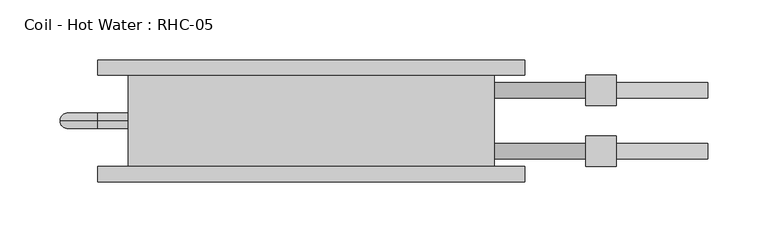
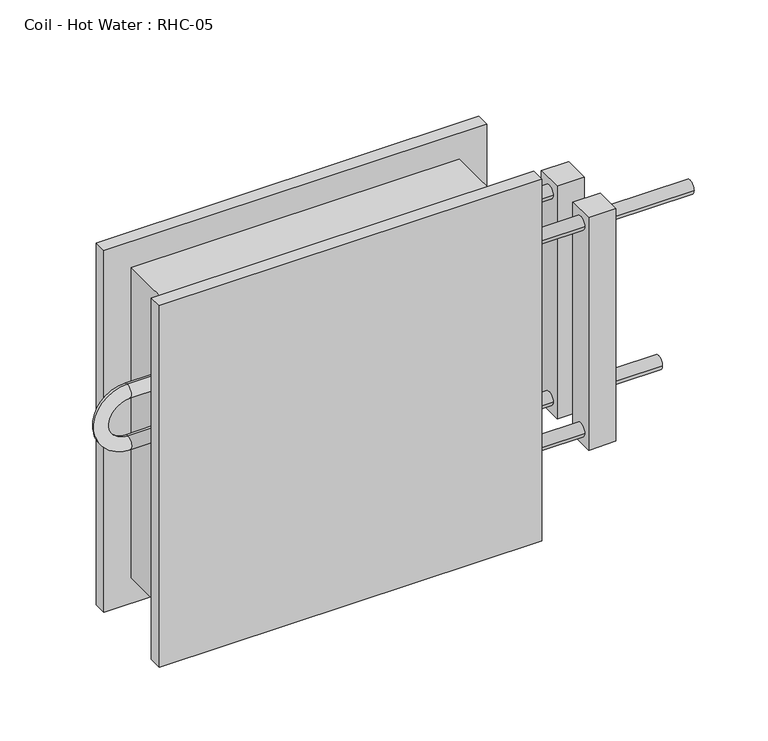
"""IFC4 building model written with IfcOpenShell, lengths in millimetres: proxy geometry, Coil - Hot Water : RHC-05."""

from ifc_helpers import new_model, si_unit, point, frame, origin, place, context, project, spatial, circle_curve, ellipse_curve, trimmed, source, transform, mapped, element, save
from ifc_brep_helpers import plane_surface, cylinder_surface, revolved_surface, advanced_brep


def coil_hot_water_rhc_05_16e91f82(model_context):
    return source(origin(), model_context, "Body", "AdvancedBrep", [
        advanced_brep(
        [(-152.4, 76.2, 304.8), (-152.4, 0.0, 304.8), (152.4, 0.0, 304.8), (152.4, 76.2, 304.8), (152.4, 76.2, 0.0), (152.4, 0.0, 0.0), (-152.4, 0.0, 0.0), (-152.4, 76.2, 0.0), (-152.4, 38.1, 222.25), (-152.4, 38.1, 209.55), (-152.4, 38.1, 171.45), (-152.4, 38.1, 158.75), (152.4, 57.15, 254.0), (152.4, 69.85, 254.0), (152.4, 6.35, 50.8), (152.4, 19.05, 50.8), (152.4, 6.35, 254.0), (152.4, 19.05, 254.0), (152.4, 57.15, 50.8), (152.4, 69.85, 50.8), (177.8, 76.2, 330.2), (-177.8, 76.2, 330.2), (-177.8, 76.2, -25.4), (177.8, 76.2, -25.4), (177.8, 88.9, 330.2), (177.8, 88.9, -25.4), (-177.8, 88.9, -25.4), (-177.8, 88.9, 330.2), (330.2, 57.15, 50.8), (330.2, 69.85, 50.8), (330.2, 6.35, 254.0), (330.2, 19.05, 254.0), (254.0, 57.15, 50.8), (254.0, 69.85, 50.8), (254.0, 6.35, 254.0), (254.0, 19.05, 254.0), (177.8, -12.7, 330.2), (-177.8, -12.7, 330.2), (-177.8, -12.7, -25.4), (177.8, -12.7, -25.4), (177.8, 0.0, 330.2), (177.8, 0.0, -25.4), (-177.8, 0.0, -25.4), (-177.8, 0.0, 330.2), (-177.8, 38.1, 222.25), (-177.8, 38.1, 209.55), (-177.8, 38.1, 158.75), (-177.8, 38.1, 171.45), (228.6, 57.15, 254.0), (228.6, 69.85, 254.0), (228.6, 6.35, 50.8), (228.6, 19.05, 50.8), (228.6, 6.35, 254.0), (228.6, 19.05, 254.0), (228.6, 57.15, 50.8), (228.6, 69.85, 50.8), (254.0, 50.8, 266.7), (254.0, 50.8, 38.1), (254.0, 76.2, 38.1), (254.0, 76.2, 266.7), (254.0, 0.0, 266.7), (254.0, 0.0, 38.1), (254.0, 25.4, 38.1), (254.0, 25.4, 266.7), (228.6, 50.8, 266.7), (228.6, 76.2, 266.7), (228.6, 76.2, 38.1), (228.6, 50.8, 38.1), (228.6, 0.0, 266.7), (228.6, 25.4, 266.7), (228.6, 25.4, 38.1), (228.6, 0.0, 38.1)],
        [
            (0, 1),
            (1, 2),
            (2, 3),
            (3, 0),
            (4, 5),
            (5, 6),
            (6, 7),
            (7, 4),
            (0, 7),
            (6, 1),
            (8, 9, circle_curve(frame((-152.4, 38.1, 215.9), z_axis=(1.0, 0.0, 0.0), x_axis=(0.0, 0.0, -1.0)), 6.35)),
            (9, 8, circle_curve(frame((-152.4, 38.1, 215.9), z_axis=(1.0, 0.0, 0.0), x_axis=(0.0, 0.0, -1.0)), 6.35)),
            (10, 11, circle_curve(frame((-152.4, 38.1, 165.1), z_axis=(1.0, 0.0, 0.0), x_axis=(0.0, 0.0, 1.0)), 6.35)),
            (11, 10, circle_curve(frame((-152.4, 38.1, 165.1), z_axis=(1.0, 0.0, 0.0), x_axis=(0.0, 0.0, 1.0)), 6.35)),
            (2, 5),
            (4, 3),
            (12, 13, circle_curve(frame((152.4, 63.5, 254.0), z_axis=(-1.0, 0.0, 0.0), x_axis=(0.0, 1.0, 0.0)), 6.35)),
            (13, 12, circle_curve(frame((152.4, 63.5, 254.0), z_axis=(-1.0, 0.0, 0.0), x_axis=(0.0, 1.0, 0.0)), 6.35)),
            (14, 15, circle_curve(frame((152.4, 12.7, 50.8), z_axis=(-1.0, 0.0, 0.0), x_axis=(0.0, 1.0, 0.0)), 6.35)),
            (15, 14, circle_curve(frame((152.4, 12.7, 50.8), z_axis=(-1.0, 0.0, 0.0), x_axis=(0.0, 1.0, 0.0)), 6.35)),
            (16, 17, circle_curve(frame((152.4, 12.7, 254.0), z_axis=(-1.0, 0.0, 0.0), x_axis=(0.0, 1.0, 0.0)), 6.35)),
            (17, 16, circle_curve(frame((152.4, 12.7, 254.0), z_axis=(-1.0, 0.0, 0.0), x_axis=(0.0, 1.0, 0.0)), 6.35)),
            (18, 19, circle_curve(frame((152.4, 63.5, 50.8), z_axis=(-1.0, 0.0, 0.0), x_axis=(0.0, 1.0, 0.0)), 6.35)),
            (19, 18, circle_curve(frame((152.4, 63.5, 50.8), z_axis=(-1.0, 0.0, 0.0), x_axis=(0.0, 1.0, 0.0)), 6.35)),
            (20, 21),
            (21, 22),
            (22, 23),
            (23, 20),
            (24, 25),
            (25, 26),
            (26, 27),
            (27, 24),
            (20, 24),
            (27, 21),
            (26, 22),
            (25, 23),
            (28, 29, circle_curve(frame((330.2, 63.5, 50.8), z_axis=(1.0, 0.0, 0.0), x_axis=(0.0, 1.0, 0.0)), 6.35)),
            (29, 28, circle_curve(frame((330.2, 63.5, 50.8), z_axis=(1.0, 0.0, 0.0), x_axis=(0.0, 1.0, 0.0)), 6.35)),
            (30, 31, circle_curve(frame((330.2, 12.7, 254.0), z_axis=(1.0, 0.0, 0.0), x_axis=(0.0, 1.0, 0.0)), 6.35)),
            (31, 30, circle_curve(frame((330.2, 12.7, 254.0), z_axis=(1.0, 0.0, 0.0), x_axis=(0.0, 1.0, 0.0)), 6.35)),
            (28, 32),
            (32, 33, circle_curve(frame((254.0, 63.5, 50.8), z_axis=(1.0, 0.0, 0.0), x_axis=(0.0, 1.0, 0.0)), 6.35)),
            (33, 29),
            (33, 32, circle_curve(frame((254.0, 63.5, 50.8), z_axis=(1.0, 0.0, 0.0), x_axis=(0.0, 1.0, 0.0)), 6.35)),
            (30, 34),
            (34, 35, circle_curve(frame((254.0, 12.7, 254.0), z_axis=(1.0, 0.0, 0.0), x_axis=(0.0, 1.0, 0.0)), 6.35)),
            (35, 31),
            (35, 34, circle_curve(frame((254.0, 12.7, 254.0), z_axis=(1.0, 0.0, 0.0), x_axis=(0.0, 1.0, 0.0)), 6.35)),
            (36, 37),
            (37, 38),
            (38, 39),
            (39, 36),
            (40, 41),
            (41, 42),
            (42, 43),
            (43, 40),
            (36, 40),
            (43, 37),
            (42, 38),
            (41, 39),
            (8, 44),
            (44, 45, circle_curve(frame((-177.8, 38.1, 215.9), z_axis=(1.0, 0.0, 0.0), x_axis=(0.0, 0.0, -1.0)), 6.35)),
            (45, 9),
            (45, 44, circle_curve(frame((-177.8, 38.1, 215.9), z_axis=(1.0, 0.0, 0.0), x_axis=(0.0, 0.0, -1.0)), 6.35)),
            (44, 46, circle_curve(frame((-177.8, 38.1, 190.5), z_axis=(0.0, -1.0, 0.0), x_axis=(0.0, 0.0, 1.0)), 31.75)),
            (46, 47, circle_curve(frame((-177.8, 38.1, 165.1), z_axis=(-1.0, 0.0, 0.0), x_axis=(0.0, 0.0, 1.0)), 6.35)),
            (47, 45, circle_curve(frame((-177.8, 38.1, 190.5), z_axis=(0.0, 1.0, 0.0), x_axis=(0.0, 0.0, 1.0)), 19.05)),
            (47, 46, circle_curve(frame((-177.8, 38.1, 165.1), z_axis=(-1.0, 0.0, 0.0), x_axis=(0.0, 0.0, 1.0)), 6.35)),
            (46, 11),
            (10, 47),
            (12, 48),
            (48, 49, circle_curve(frame((228.6, 63.5, 254.0), z_axis=(-1.0, 0.0, 0.0), x_axis=(0.0, 1.0, 0.0)), 6.35)),
            (49, 13),
            (49, 48, circle_curve(frame((228.6, 63.5, 254.0), z_axis=(-1.0, 0.0, 0.0), x_axis=(0.0, 1.0, 0.0)), 6.35)),
            (14, 50),
            (50, 51, circle_curve(frame((228.6, 12.7, 50.8), z_axis=(-1.0, 0.0, 0.0), x_axis=(0.0, 1.0, 0.0)), 6.35)),
            (51, 15),
            (51, 50, circle_curve(frame((228.6, 12.7, 50.8), z_axis=(-1.0, 0.0, 0.0), x_axis=(0.0, 1.0, 0.0)), 6.35)),
            (16, 52),
            (52, 53, circle_curve(frame((228.6, 12.7, 254.0), z_axis=(-1.0, 0.0, 0.0), x_axis=(0.0, 1.0, 0.0)), 6.35)),
            (53, 17),
            (53, 52, circle_curve(frame((228.6, 12.7, 254.0), z_axis=(-1.0, 0.0, 0.0), x_axis=(0.0, 1.0, 0.0)), 6.35)),
            (18, 54),
            (54, 55, circle_curve(frame((228.6, 63.5, 50.8), z_axis=(-1.0, 0.0, 0.0), x_axis=(0.0, 1.0, 0.0)), 6.35)),
            (55, 19),
            (55, 54, circle_curve(frame((228.6, 63.5, 50.8), z_axis=(-1.0, 0.0, 0.0), x_axis=(0.0, 1.0, 0.0)), 6.35)),
            (56, 57),
            (57, 58),
            (58, 59),
            (59, 56),
            (60, 61),
            (61, 62),
            (62, 63),
            (63, 60),
            (64, 65),
            (65, 66),
            (66, 67),
            (67, 64),
            (68, 69),
            (69, 70),
            (70, 71),
            (71, 68),
            (56, 64),
            (67, 57),
            (66, 58),
            (65, 59),
            (60, 68),
            (71, 61),
            (70, 62),
            (69, 63),
        ],
        [
            plane_surface(frame((-152.4, 76.2, 304.8), z_axis=(0.0, 0.0, 1.0), x_axis=(-1.0, 0.0, 0.0))),
            plane_surface(frame((-152.4, 76.2, 0.0), z_axis=(0.0, 0.0, -1.0), x_axis=(1.0, 0.0, 0.0))),
            plane_surface(frame((-152.4, 76.2, 304.8), z_axis=(-1.0, 0.0, 0.0), x_axis=(0.0, 0.0, -1.0))),
            plane_surface(frame((152.4, 0.0, 304.8), z_axis=(1.0, 0.0, 0.0), x_axis=(0.0, 0.0, -1.0))),
            plane_surface(frame((-177.8, 76.2, 330.2), z_axis=(0.0, -1.0, 0.0), x_axis=(-1.0, 0.0, 0.0))),
            plane_surface(frame((-177.8, 88.9, 330.2), z_axis=(0.0, 1.0, 0.0), x_axis=(1.0, 0.0, 0.0))),
            plane_surface(frame((177.8, 76.2, 330.2), z_axis=(0.0, 0.0, 1.0), x_axis=(0.0, 1.0, 0.0))),
            plane_surface(frame((-177.8, 76.2, 330.2), z_axis=(-1.0, 0.0, 0.0), x_axis=(0.0, 1.0, 0.0))),
            plane_surface(frame((-177.8, 76.2, -25.4), z_axis=(0.0, 0.0, -1.0), x_axis=(0.0, 1.0, 0.0))),
            plane_surface(frame((177.8, 76.2, -25.4), z_axis=(1.0, 0.0, 0.0), x_axis=(0.0, 1.0, 0.0))),
            plane_surface(frame((330.2, 69.85, 50.8), z_axis=(1.0, 0.0, 0.0), x_axis=(0.0, 0.0, 1.0))),
            cylinder_surface(frame((254.0, 63.5, 50.8), z_axis=(1.0, 0.0, 0.0), x_axis=(0.0, 1.0, 0.0)), 6.35),
            cylinder_surface(frame((0.0, 12.7, 254.0), z_axis=(1.0, 0.0, 0.0), x_axis=(0.0, 1.0, 0.0)), 6.35),
            plane_surface(frame((-177.8, -12.7, 330.2), z_axis=(0.0, -1.0, 0.0), x_axis=(-1.0, 0.0, 0.0))),
            plane_surface(frame((-177.8, 0.0, 330.2), z_axis=(0.0, 1.0, 0.0), x_axis=(1.0, 0.0, 0.0))),
            plane_surface(frame((177.8, -12.7, 330.2), z_axis=(0.0, 0.0, 1.0), x_axis=(0.0, 1.0, 0.0))),
            plane_surface(frame((-177.8, -12.7, 330.2), z_axis=(-1.0, 0.0, 0.0), x_axis=(0.0, 1.0, 0.0))),
            plane_surface(frame((-177.8, -12.7, -25.4), z_axis=(0.0, 0.0, -1.0), x_axis=(0.0, 1.0, 0.0))),
            plane_surface(frame((177.8, -12.7, -25.4), z_axis=(1.0, 0.0, 0.0), x_axis=(0.0, 1.0, 0.0))),
            cylinder_surface(frame((-152.4, 38.1, 215.9), z_axis=(1.0, 0.0, 0.0), x_axis=(0.0, 0.0, -1.0)), 6.35),
            revolved_surface(trimmed(ellipse_curve(frame((-177.8, 38.1, 215.9), z_axis=(1.0, 0.0, 0.0), x_axis=(0.0, 0.0, -1.0)), 6.35, 6.35), [point((-177.8, 38.1, 222.25))], [point((-177.8, 38.1, 209.55))], True, "CARTESIAN"), (-177.8, 0.0, 190.5), (0.0, -1.0, 0.0)),
            revolved_surface(trimmed(ellipse_curve(frame((-177.8, 38.1, 215.9), z_axis=(1.0, 0.0, 0.0), x_axis=(0.0, 0.0, -1.0)), 6.35, 6.35), [point((-177.8, 38.1, 209.55))], [point((-177.8, 38.1, 222.25))], True, "CARTESIAN"), (-177.8, 0.0, 190.5), (0.0, -1.0, 0.0)),
            cylinder_surface(frame((-177.8, 38.1, 165.1), z_axis=(-1.0, 0.0, 0.0), x_axis=(0.0, 0.0, 1.0)), 6.35),
            cylinder_surface(frame((152.4, 63.5, 254.0), z_axis=(-1.0, 0.0, 0.0), x_axis=(0.0, 1.0, 0.0)), 6.35),
            cylinder_surface(frame((152.4, 12.7, 50.8), z_axis=(-1.0, 0.0, 0.0), x_axis=(0.0, 1.0, 0.0)), 6.35),
            cylinder_surface(frame((152.4, 12.7, 254.0), z_axis=(-1.0, 0.0, 0.0), x_axis=(0.0, 1.0, 0.0)), 6.35),
            cylinder_surface(frame((152.4, 63.5, 50.8), z_axis=(-1.0, 0.0, 0.0), x_axis=(0.0, 1.0, 0.0)), 6.35),
            plane_surface(frame((254.0, 50.8, 264.0802069), z_axis=(1.0, 0.0, 0.0), x_axis=(0.0, 0.0, -1.0))),
            plane_surface(frame((228.6, 50.8, 264.0802069), z_axis=(-1.0, 0.0, 0.0), x_axis=(0.0, 0.0, 1.0))),
            plane_surface(frame((254.0, 50.8, 266.7), z_axis=(0.0, -1.0, 0.0), x_axis=(-1.0, 0.0, 0.0))),
            plane_surface(frame((254.0, 50.8, 38.1), z_axis=(0.0, 0.0, -1.0), x_axis=(-1.0, 0.0, 0.0))),
            plane_surface(frame((254.0, 76.2, 38.1), z_axis=(0.0, 1.0, 0.0), x_axis=(-1.0, 0.0, 0.0))),
            plane_surface(frame((254.0, 76.2, 266.7), z_axis=(0.0, 0.0, 1.0), x_axis=(-1.0, 0.0, 0.0))),
            plane_surface(frame((254.0, 0.0, 266.7), z_axis=(0.0, -1.0, 0.0), x_axis=(-1.0, 0.0, 0.0))),
            plane_surface(frame((254.0, 0.0, 38.1), z_axis=(0.0, 0.0, -1.0), x_axis=(-1.0, 0.0, 0.0))),
            plane_surface(frame((254.0, 25.4, 38.1), z_axis=(0.0, 1.0, 0.0), x_axis=(-1.0, 0.0, 0.0))),
            plane_surface(frame((254.0, 25.4, 266.7), z_axis=(0.0, 0.0, 1.0), x_axis=(-1.0, 0.0, 0.0))),
        ],
        [
            (0, [[1, 2, 3, 4]]),
            (1, [[5, 6, 7, 8]]),
            (2, [[-1, 9, -7, 10], [11, 12], [13, 14]]),
            (3, [[-3, 15, -5, 16], [17, 18], [19, 20], [21, 22], [23, 24]]),
            (4, [[25, 26, 27, 28], [-4, -16, -8, -9]]),
            (5, [[29, 30, 31, 32]]),
            (6, [[-25, 33, -32, 34]]),
            (7, [[-26, -34, -31, 35]]),
            (8, [[-27, -35, -30, 36]]),
            (9, [[-28, -36, -29, -33]]),
            (10, [[37, 38]]),
            (10, [[39, 40]]),
            (11, [[-37, 41, 42, 43]]),
            (11, [[-38, -43, 44, -41]]),
            (12, [[-39, 45, 46, 47]]),
            (12, [[-40, -47, 48, -45]]),
            (13, [[49, 50, 51, 52]]),
            (14, [[53, 54, 55, 56], [-2, -10, -6, -15]]),
            (15, [[-49, 57, -56, 58]]),
            (16, [[-50, -58, -55, 59]]),
            (17, [[-51, -59, -54, 60]]),
            (18, [[-52, -60, -53, -57]]),
            (19, [[61, 62, 63, -11]]),
            (19, [[-61, -12, -63, 64]]),
            (20, [[-62, 65, 66, 67]]),
            (21, [[-64, -67, 68, -65]]),
            (22, [[-66, 69, -13, 70]]),
            (22, [[-68, -70, -14, -69]]),
            (23, [[71, 72, 73, -17]]),
            (23, [[-71, -18, -73, 74]]),
            (24, [[75, 76, 77, -19]]),
            (24, [[-75, -20, -77, 78]]),
            (25, [[79, 80, 81, -21]]),
            (25, [[-79, -22, -81, 82]]),
            (26, [[83, 84, 85, -23]]),
            (26, [[-83, -24, -85, 86]]),
            (27, [[87, 88, 89, 90], [-42, -44]]),
            (27, [[91, 92, 93, 94], [-46, -48]]),
            (28, [[95, 96, 97, 98], [-72, -74], [-84, -86]]),
            (28, [[99, 100, 101, 102], [-76, -78], [-80, -82]]),
            (29, [[-87, 103, -98, 104]]),
            (30, [[-88, -104, -97, 105]]),
            (31, [[-89, -105, -96, 106]]),
            (32, [[-90, -106, -95, -103]]),
            (33, [[-91, 107, -102, 108]]),
            (34, [[-92, -108, -101, 109]]),
            (35, [[-93, -109, -100, 110]]),
            (36, [[-94, -110, -99, -107]]),
        ],
    ),
    ])


if __name__ == "__main__":
    model = new_model("IFC4")
    model_context = context("Model", 3, world=origin())
    ifc_project = project(units=[si_unit("LENGTHUNIT", "METRE", prefix="MILLI")], contexts=[model_context])
    site = spatial("IfcSite", under=ifc_project)
    building = spatial("IfcBuilding", under=site)
    placement = place(None, origin())
    coil_hot_water_rhc_05_shape = coil_hot_water_rhc_05_16e91f82(model_context)
    element("IfcBuildingElementProxy", 1, Name="Coil - Hot Water : RHC-05", ObjectType="Coil - Hot Water : RHC-05", at=placement, inside=building, context=model_context, shape_type="MappedRepresentation", body=[
        mapped(coil_hot_water_rhc_05_shape, transform((0.0, 0.0, 0.0), x_axis=(1.0, 0.0, 0.0), y_axis=(0.0, 1.0, 0.0), z_axis=(0.0, 0.0, 1.0))),
    ])
    save(model, "model.ifc")
